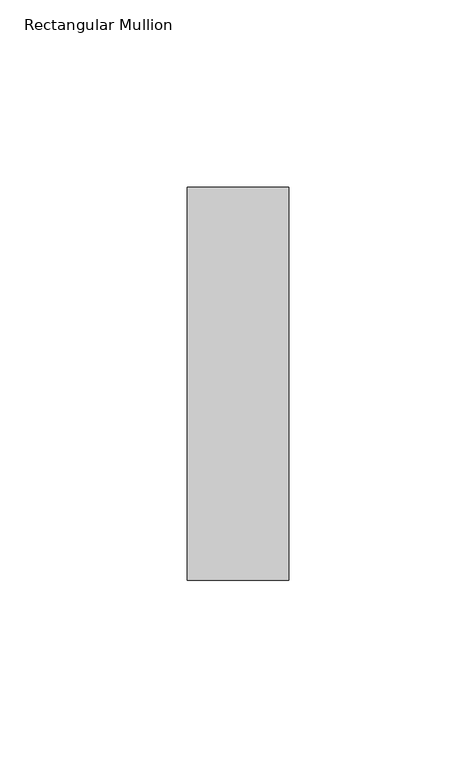
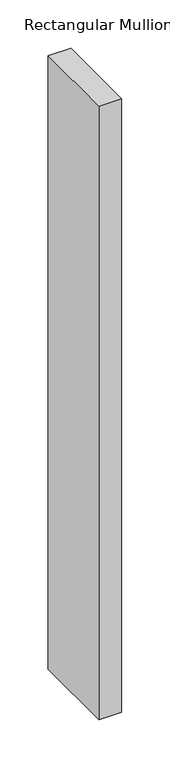
"""IFC4 building model written with IfcOpenShell, lengths in millimetres: member geometry, Rectangular Mullion."""

from ifc_helpers import new_model, si_unit, frame, origin, place, context, project, spatial, polyline, outline, extrude, source, transform, mapped, element, save


def rectangular_mullion_6f2a3796(model_context):
    return source(origin(), model_context, "Body", "SweptSolid", [
        extrude(outline(polyline([(-27.0, 52.3975), (0.0, 52.3975), (0.0, -52.3975), (-27.0, -52.3975), (-27.0, 52.3975)])), frame((0.0, 0.0, -773.0), z_axis=(0.0, 0.0, 1.0), x_axis=(1.0, 0.0, 0.0)), (0.0, 0.0, 1.0), 773.0),
    ])


if __name__ == "__main__":
    model = new_model("IFC4")
    model_context = context("Model", 3, world=origin())
    ifc_project = project(units=[si_unit("LENGTHUNIT", "METRE", prefix="MILLI")], contexts=[model_context])
    site = spatial("IfcSite", under=ifc_project)
    building = spatial("IfcBuilding", under=site)
    placement = place(None, origin())
    rectangular_mullion_shape = rectangular_mullion_6f2a3796(model_context)
    element("IfcMember", 1, ObjectType="Rectangular Mullion", at=placement, inside=building, context=model_context, shape_type="MappedRepresentation", body=[
        mapped(rectangular_mullion_shape, transform((0.0, 0.0, 0.0), x_axis=(1.0, 0.0, 0.0), y_axis=(0.0, 1.0, 0.0), z_axis=(0.0, 0.0, 1.0))),
    ])
    save(model, "model.ifc")
